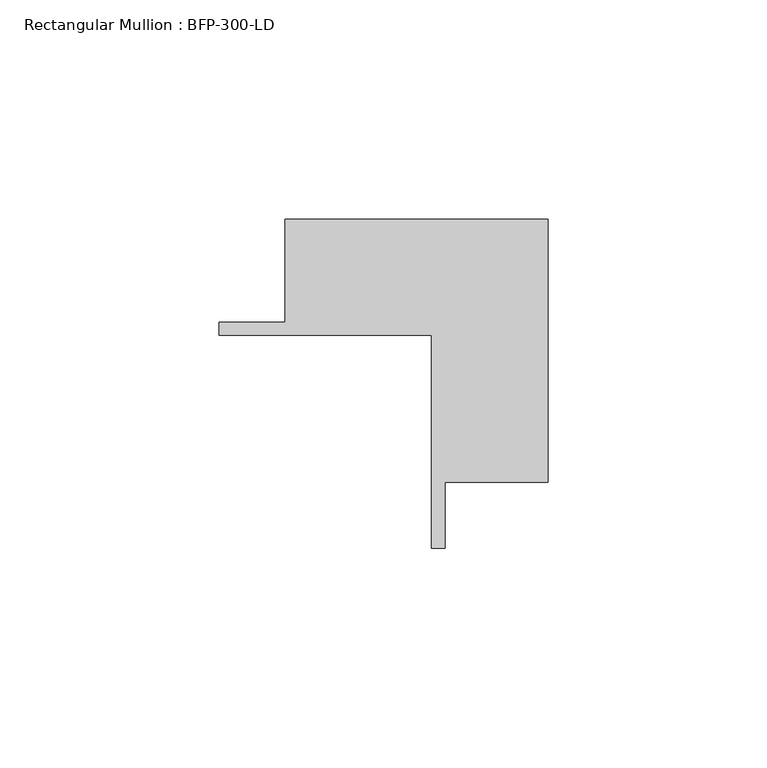
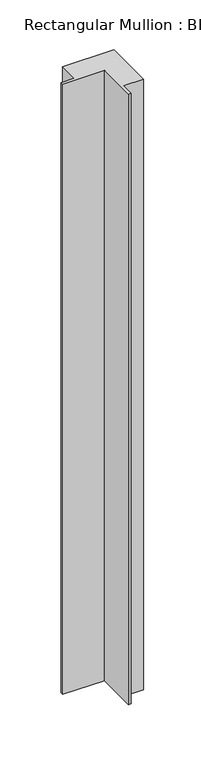
"""IFC4 building model written with IfcOpenShell, lengths in millimetres: member geometry, Rectangular Mullion : BFP-300-LD."""

from ifc_helpers import new_model, si_unit, frame, origin, place, context, project, spatial, polyline, outline, extrude, source, transform, mapped, element, save


def rectangular_mullion_bfp_300_ld_617dd13f(model_context):
    return source(origin(), model_context, "Body", "SweptSolid", [
        extrude(outline(polyline([(-75.0, 18.5), (-75.0, 21.5), (-60.0, 21.5), (-60.0, 45.0), (0.0, 45.0), (0.0, -15.0), (-23.5, -15.0), (-23.5, -30.0), (-26.5, -30.0), (-26.5, 18.5), (-75.0, 18.5)])), frame((0.0, 0.0, -750.0), z_axis=(0.0, 0.0, 1.0), x_axis=(1.0, 0.0, 0.0)), (0.0, 0.0, 1.0), 750.0),
    ])


if __name__ == "__main__":
    model = new_model("IFC4")
    model_context = context("Model", 3, world=origin())
    ifc_project = project(units=[si_unit("LENGTHUNIT", "METRE", prefix="MILLI")], contexts=[model_context])
    site = spatial("IfcSite", under=ifc_project)
    building = spatial("IfcBuilding", under=site)
    placement = place(None, origin())
    rectangular_mullion_bfp_300_ld_shape = rectangular_mullion_bfp_300_ld_617dd13f(model_context)
    element("IfcMember", 1, ObjectType="Rectangular Mullion : BFP-300-LD", at=placement, inside=building, context=model_context, shape_type="MappedRepresentation", body=[
        mapped(rectangular_mullion_bfp_300_ld_shape, transform((0.0, 0.0, 0.0), x_axis=(1.0, 0.0, 0.0), y_axis=(0.0, 1.0, 0.0), z_axis=(0.0, 0.0, 1.0))),
    ])
    save(model, "model.ifc")
